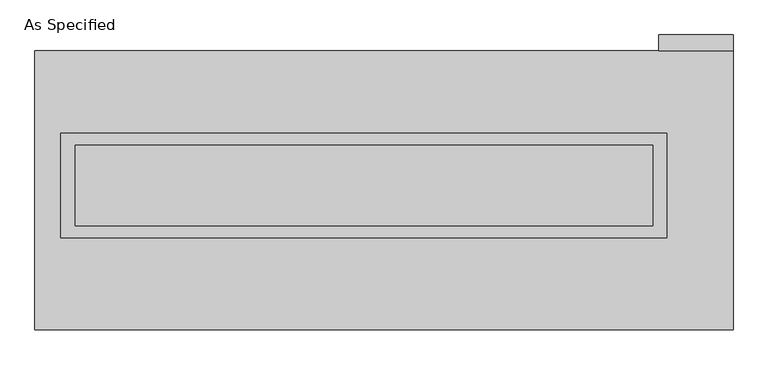
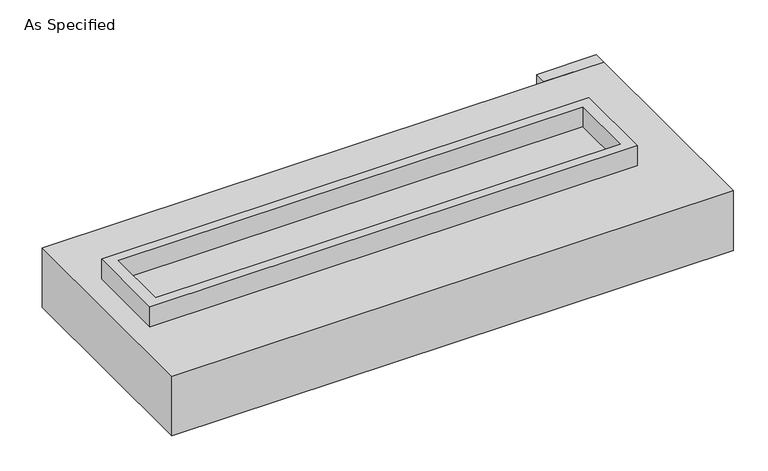
"""IFC4 building model written with IfcOpenShell, lengths in millimetres: proxy geometry, As Specified."""

from ifc_helpers import new_model, si_unit, frame, origin, place, context, project, spatial, polyline, outline, extrude, faceted_brep, source, transform, mapped, element, save


def as_specified_fa7dd3a3(model_context):
    return source(origin(), model_context, "Body", "SolidModel", [
        extrude(outline(polyline([(1917.7, 361.95), (1917.7, -298.45), (-1917.7, -298.45), (-1917.7, 361.95), (1917.7, 361.95)]), holes=[polyline([(1828.8, 285.75), (-1828.8, 285.75), (-1828.8, -222.25), (1828.8, -222.25), (1828.8, 285.75)])]), frame((0.0, 0.0, -25.4), z_axis=(0.0, 0.0, 1.0), x_axis=(1.0, 0.0, 0.0)), (0.0, 0.0, 1.0), 165.1),
        extrude(outline(polyline([(1866.9, 882.65), (1866.9, 984.25), (2336.8, 984.25), (2336.8, 882.65), (1866.9, 882.65)])), frame((0.0, 0.0, -523.875), z_axis=(0.0, 0.0, 1.0), x_axis=(1.0, 0.0, 0.0)), (0.0, 0.0, 1.0), 498.475),
        extrude(outline(polyline([(1828.8, 285.75), (1828.8, -222.25), (-1828.8, -222.25), (-1828.8, 285.75), (1828.8, 285.75)])), frame((0.0, 0.0, -30.3609375), z_axis=(0.0, 0.0, 1.0), x_axis=(1.0, 0.0, 0.0)), (0.0, 0.0, 1.0), 4.9609375),
        faceted_brep([(2336.8, -882.65, -523.875), (-2082.8, -882.65, -523.875), (-2082.8, 882.65, -523.875), (2336.8, 882.65, -523.875), (2336.8, 882.65, -25.4), (-2082.8, 882.65, -25.4), (-2082.8, -882.65, -25.4), (2336.8, -882.65, -25.4), (1917.7, 361.95, -25.4), (1917.7, -298.45, -25.4), (-1917.7, -298.45, -25.4), (-1917.7, 361.95, -25.4), (1917.7, 361.95, -498.475), (-1917.7, 361.95, -498.475), (-1917.7, -298.45, -498.475), (1917.7, -298.45, -498.475)], [[[0, 1, 2, 3]], [[4, 5, 6, 7], [8, 9, 10, 11]], [[3, 2, 5, 4]], [[2, 1, 6, 5]], [[0, 3, 4, 7]], [[12, 13, 14, 15]], [[14, 13, 11, 10]], [[13, 12, 8, 11]], [[12, 15, 9, 8]], [[10, 9, 15, 14]], [[1, 0, 7, 6]]]),
    ])


if __name__ == "__main__":
    model = new_model("IFC4")
    model_context = context("Model", 3, world=origin())
    ifc_project = project(units=[si_unit("LENGTHUNIT", "METRE", prefix="MILLI")], contexts=[model_context])
    site = spatial("IfcSite", under=ifc_project)
    building = spatial("IfcBuilding", under=site)
    placement = place(None, origin())
    as_specified_shape = as_specified_fa7dd3a3(model_context)
    element("IfcBuildingElementProxy", 1, Name="As Specified", ObjectType="As Specified", at=placement, inside=building, context=model_context, shape_type="MappedRepresentation", body=[
        mapped(as_specified_shape, transform((0.0, 0.0, 0.0), x_axis=(1.0, 0.0, 0.0), y_axis=(0.0, 1.0, 0.0), z_axis=(0.0, 0.0, 1.0))),
    ])
    save(model, "model.ifc")
